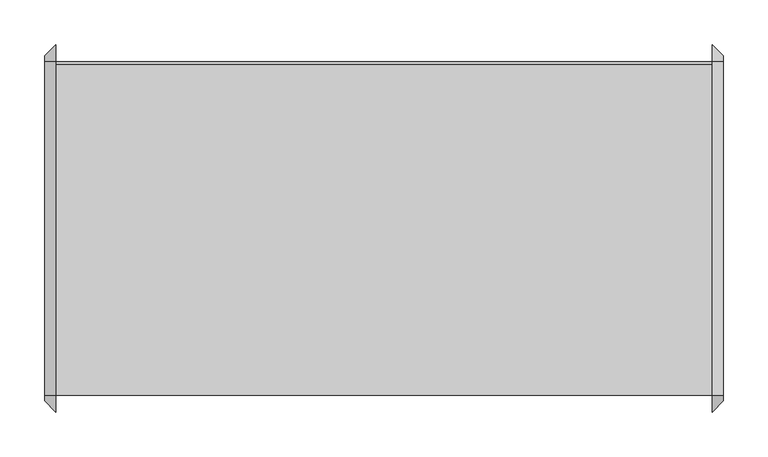
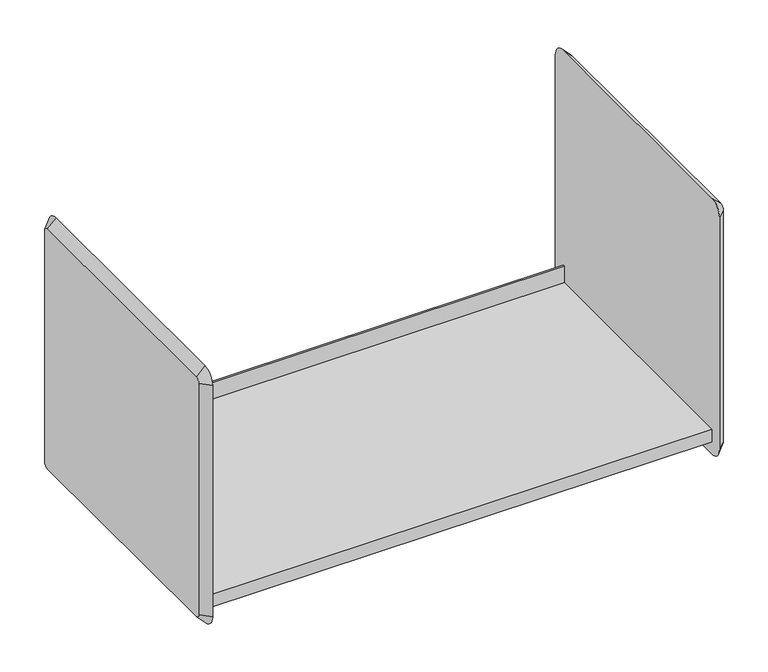
"""IFC4 building model written with IfcOpenShell, lengths in millimetres: furniture geometry."""

from ifc_helpers import new_model, si_unit, frame, origin, place, context, project, spatial, polyline, circle_curve, outline, extrude, source, transform, mapped, element, save
from ifc_brep_helpers import plane_surface, revolved_surface, advanced_brep


def furniture_7db18bb5(model_context):
    return source(origin(), model_context, "Body", "SolidModel", [
        extrude(outline(polyline([(-174.625, 1651.0), (196.85, 1651.0), (196.85, 1676.4), (200.025, 1676.4), (200.025, 1631.9152313), (-174.625, 1631.9152313), (-174.625, 1651.0)])), frame((-492.2420045, 0.0, 0.0), z_axis=(1.0, 0.0, 0.0), x_axis=(0.0, 1.0, 0.0)), (0.0, 0.0, 1.0), 736.6),
        advanced_brep(
        [(257.0579955, 200.025, 1993.9), (257.0579955, -174.625, 1993.9), (257.0579955, -180.975, 1987.55), (257.0579955, -180.975, 1631.95), (257.0579955, -174.625, 1625.6), (257.0579955, 200.025, 1625.6), (257.0579955, 206.375, 1631.95), (257.0579955, 206.375, 1987.55), (244.3579955, 200.025, 2006.6), (244.3579955, 219.075, 1987.55), (244.3579955, 219.075, 1631.95), (244.3579955, 200.025, 1612.9), (244.3579955, -174.625, 1612.9), (244.3579955, -193.675, 1631.95), (244.3579955, -193.675, 1987.55), (244.3579955, -174.625, 2006.6)],
        [
            (0, 1),
            (1, 2, circle_curve(frame((257.0579955, -174.625, 1987.55), z_axis=(1.0, 0.0, 0.0), x_axis=(0.0, 0.0, 1.0)), 6.35)),
            (2, 3),
            (3, 4, circle_curve(frame((257.0579955, -174.625, 1631.95), z_axis=(1.0, 0.0, 0.0), x_axis=(0.0, -1.0, 0.0)), 6.35)),
            (4, 5),
            (5, 6, circle_curve(frame((257.0579955, 200.025, 1631.95), z_axis=(1.0, 0.0, 0.0), x_axis=(0.0, 0.0, -1.0)), 6.35)),
            (6, 7),
            (7, 0, circle_curve(frame((257.0579955, 200.025, 1987.55), z_axis=(1.0, 0.0, 0.0), x_axis=(0.0, 1.0, 0.0)), 6.35)),
            (8, 9, circle_curve(frame((244.3579955, 200.025, 1987.55), z_axis=(-1.0, 0.0, 0.0), x_axis=(0.0, 1.0, 0.0)), 19.05)),
            (9, 10),
            (10, 11, circle_curve(frame((244.3579955, 200.025, 1631.95), z_axis=(-1.0, 0.0, 0.0), x_axis=(0.0, 0.0, -1.0)), 19.05)),
            (11, 12),
            (12, 13, circle_curve(frame((244.3579955, -174.625, 1631.95), z_axis=(-1.0, 0.0, 0.0), x_axis=(0.0, -1.0, 0.0)), 19.05)),
            (13, 14),
            (14, 15, circle_curve(frame((244.3579955, -174.625, 1987.55), z_axis=(-1.0, 0.0, 0.0), x_axis=(0.0, 0.0, 1.0)), 19.05)),
            (15, 8),
            (15, 1),
            (0, 8),
            (14, 2),
            (13, 3),
            (12, 4),
            (11, 5),
            (10, 6),
            (9, 7),
        ],
        [
            plane_surface(frame((257.0579955, 12.7, 1809.75), z_axis=(1.0, 0.0, 0.0), x_axis=(0.0, -1.0, 0.0))),
            plane_surface(frame((244.3579955, 12.7, 1809.75), z_axis=(-1.0, 0.0, 0.0), x_axis=(0.0, -1.0, 0.0))),
            plane_surface(frame((244.3579955, 12.7, 2006.6), z_axis=(0.7071067811861783, 0.0, 0.7071067811869168), x_axis=(0.0, -1.0, 0.0))),
            revolved_surface(polyline([(257.0579955, -174.625, 1993.8999999999999), (244.3579955, -174.625, 2006.6)]), (263.4079955, -174.625, 1987.55), (-1.0, 0.0, 0.0)),
            plane_surface(frame((244.3579955, -193.675, 1809.75), z_axis=(0.70710678118615, -0.7071067811869451, 0.0), x_axis=(0.0, 0.0, -1.0))),
            revolved_surface(polyline([(257.0579955, -180.97500000000002, 1631.95), (244.3579955, -193.675, 1631.95)]), (263.4079955, -174.625, 1631.95), (-1.0, 0.0, 0.0)),
            plane_surface(frame((244.3579955, 12.7, 1612.9), z_axis=(0.7071067811861406, 0.0, -0.7071067811869545), x_axis=(0.0, 1.0, 0.0))),
            revolved_surface(polyline([(257.0579955, 200.025, 1625.6000000000001), (244.3579955, 200.025, 1612.9)]), (263.4079955, 200.025, 1631.95), (-1.0, 0.0, 0.0)),
            plane_surface(frame((244.3579955, 219.075, 1809.75), z_axis=(0.707106781186149, 0.707106781186946, 0.0), x_axis=(0.0, 0.0, 1.0))),
            revolved_surface(polyline([(257.0579955, 206.375, 1987.55), (244.3579955, 219.075, 1987.55)]), (263.4079955, 200.025, 1987.55), (-1.0, 0.0, 0.0)),
        ],
        [
            (0, [[1, 2, 3, 4, 5, 6, 7, 8]]),
            (1, [[9, 10, 11, 12, 13, 14, 15, 16]]),
            (2, [[-16, 17, -1, 18]]),
            (3, [[-15, 19, -2, -17]]),
            (4, [[-14, 20, -3, -19]]),
            (5, [[-13, 21, -4, -20]]),
            (6, [[-12, 22, -5, -21]]),
            (7, [[-11, 23, -6, -22]]),
            (8, [[-10, 24, -7, -23]]),
            (9, [[-9, -18, -8, -24]]),
        ],
    ),
        advanced_brep(
        [(-504.9420045, -174.625, 1993.9), (-504.9420045, 200.025, 1993.9), (-504.9420045, 206.375, 1987.55), (-504.9420045, 206.375, 1631.95), (-504.9420045, 200.025, 1625.6), (-504.9420045, -174.625, 1625.6), (-504.9420045, -180.975, 1631.95), (-504.9420045, -180.975, 1987.55), (-492.2420045, -174.625, 2006.6), (-492.2420045, -193.675, 1987.55), (-492.2420045, -193.675, 1631.95), (-492.2420045, -174.625, 1612.9), (-492.2420045, 200.025, 1612.9), (-492.2420045, 219.075, 1631.95), (-492.2420045, 219.075, 1987.55), (-492.2420045, 200.025, 2006.6)],
        [
            (0, 1),
            (1, 2, circle_curve(frame((-504.9420045, 200.025, 1987.55), z_axis=(-1.0, 0.0, 0.0), x_axis=(0.0, 0.0, 1.0)), 6.35)),
            (2, 3),
            (3, 4, circle_curve(frame((-504.9420045, 200.025, 1631.95), z_axis=(-1.0, 0.0, 0.0), x_axis=(0.0, 1.0, 0.0)), 6.35)),
            (4, 5),
            (5, 6, circle_curve(frame((-504.9420045, -174.625, 1631.95), z_axis=(-1.0, 0.0, 0.0), x_axis=(0.0, 0.0, -1.0)), 6.35)),
            (6, 7),
            (7, 0, circle_curve(frame((-504.9420045, -174.625, 1987.55), z_axis=(-1.0, 0.0, 0.0), x_axis=(0.0, -1.0, 0.0)), 6.35)),
            (8, 9, circle_curve(frame((-492.2420045, -174.625, 1987.55), z_axis=(1.0, 0.0, 0.0), x_axis=(0.0, -1.0, 0.0)), 19.05)),
            (9, 10),
            (10, 11, circle_curve(frame((-492.2420045, -174.625, 1631.95), z_axis=(1.0, 0.0, 0.0), x_axis=(0.0, 0.0, -1.0)), 19.05)),
            (11, 12),
            (12, 13, circle_curve(frame((-492.2420045, 200.025, 1631.95), z_axis=(1.0, 0.0, 0.0), x_axis=(0.0, 1.0, 0.0)), 19.05)),
            (13, 14),
            (14, 15, circle_curve(frame((-492.2420045, 200.025, 1987.55), z_axis=(1.0, 0.0, 0.0), x_axis=(0.0, 0.0, 1.0)), 19.05)),
            (15, 8),
            (15, 1),
            (0, 8),
            (14, 2),
            (13, 3),
            (12, 4),
            (11, 5),
            (10, 6),
            (9, 7),
        ],
        [
            plane_surface(frame((-504.9420045, 12.7, 1809.75), z_axis=(-1.0, 0.0, 0.0), x_axis=(0.0, -1.0, 0.0))),
            plane_surface(frame((-492.2420045, 12.7, 1809.75), z_axis=(1.0, 0.0, 0.0), x_axis=(0.0, -1.0, 0.0))),
            plane_surface(frame((-492.2420045, 12.7, 2006.6), z_axis=(-0.7071067811865287, 0.0, 0.7071067811865663), x_axis=(0.0, 1.0, 0.0))),
            revolved_surface(polyline([(-504.9420045, 200.025, 1993.8999999999999), (-492.2420045, 200.025, 2006.6)]), (-511.2920045, 200.025, 1987.55), (1.0, 0.0, 0.0)),
            plane_surface(frame((-492.2420045, 219.075, 1809.75), z_axis=(-0.7071067811865598, 0.7071067811865354, 0.0), x_axis=(0.0, 0.0, -1.0))),
            revolved_surface(polyline([(-504.9420045, 206.37500000000003, 1631.95), (-492.2420045, 219.075, 1631.95)]), (-511.2920045, 200.025, 1631.95), (1.0, 0.0, 0.0)),
            plane_surface(frame((-492.2420045, 12.7, 1612.9), z_axis=(-0.7071067811865589, 0.0, -0.7071067811865362), x_axis=(0.0, -1.0, 0.0))),
            revolved_surface(polyline([(-504.9420045, -174.625, 1625.6000000000001), (-492.2420045, -174.625, 1612.9)]), (-511.2920045, -174.625, 1631.95), (1.0, 0.0, 0.0)),
            plane_surface(frame((-492.2420045, -193.675, 1809.75), z_axis=(-0.7071067811866041, -0.7071067811864911, 0.0), x_axis=(0.0, 0.0, 1.0))),
            revolved_surface(polyline([(-504.9420045, -180.97500000000002, 1987.55), (-492.2420045, -193.675, 1987.55)]), (-511.2920045, -174.625, 1987.55), (1.0, 0.0, 0.0)),
        ],
        [
            (0, [[1, 2, 3, 4, 5, 6, 7, 8]]),
            (1, [[9, 10, 11, 12, 13, 14, 15, 16]]),
            (2, [[-16, 17, -1, 18]]),
            (3, [[-15, 19, -2, -17]]),
            (4, [[-14, 20, -3, -19]]),
            (5, [[-13, 21, -4, -20]]),
            (6, [[-12, 22, -5, -21]]),
            (7, [[-11, 23, -6, -22]]),
            (8, [[-10, 24, -7, -23]]),
            (9, [[-9, -18, -8, -24]]),
        ],
    ),
    ])


if __name__ == "__main__":
    model = new_model("IFC4")
    model_context = context("Model", 3, world=origin())
    ifc_project = project(units=[si_unit("LENGTHUNIT", "METRE", prefix="MILLI")], contexts=[model_context])
    site = spatial("IfcSite", under=ifc_project)
    building = spatial("IfcBuilding", under=site)
    placement = place(None, origin())
    furniture_shape = furniture_7db18bb5(model_context)
    element("IfcFurniture", 1, at=placement, inside=building, context=model_context, shape_type="MappedRepresentation", body=[
        mapped(furniture_shape, transform((0.0, 0.0, 0.0), x_axis=(1.0, 0.0, 0.0), y_axis=(0.0, 1.0, 0.0), z_axis=(0.0, 0.0, 1.0))),
    ])
    save(model, "model.ifc")
